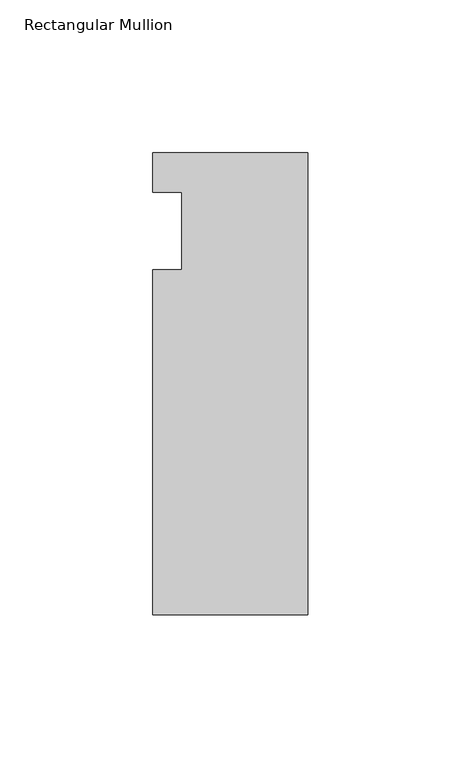
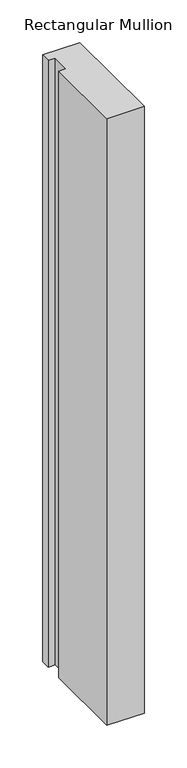
"""IFC4 building model written with IfcOpenShell, lengths in millimetres: member geometry, Rectangular Mullion."""

from ifc_helpers import new_model, si_unit, frame, origin, place, context, project, spatial, polyline, outline, extrude, source, transform, mapped, element, save


def rectangular_mullion_168d4f88(model_context):
    return source(origin(), model_context, "Body", "SweptSolid", [
        extrude(outline(polyline([(-50.8, 25.5984375), (0.0, 25.5984375), (0.0, -125.6109375), (-50.8, -125.6109375), (-50.8, -12.7), (-41.275, -12.7), (-41.275, 12.7), (-50.8, 12.7), (-50.8, 25.5984375)])), frame((0.0, 0.0, -870.9014763), z_axis=(0.0, 0.0, 1.0), x_axis=(1.0, 0.0, 0.0)), (0.0, 0.0, 1.0), 870.9014763),
    ])


if __name__ == "__main__":
    model = new_model("IFC4")
    model_context = context("Model", 3, world=origin())
    ifc_project = project(units=[si_unit("LENGTHUNIT", "METRE", prefix="MILLI")], contexts=[model_context])
    site = spatial("IfcSite", under=ifc_project)
    building = spatial("IfcBuilding", under=site)
    placement = place(None, origin())
    rectangular_mullion_shape = rectangular_mullion_168d4f88(model_context)
    element("IfcMember", 1, ObjectType="Rectangular Mullion", at=placement, inside=building, context=model_context, shape_type="MappedRepresentation", body=[
        mapped(rectangular_mullion_shape, transform((0.0, 0.0, 0.0), x_axis=(1.0, 0.0, 0.0), y_axis=(0.0, 1.0, 0.0), z_axis=(0.0, 0.0, 1.0))),
    ])
    save(model, "model.ifc")
